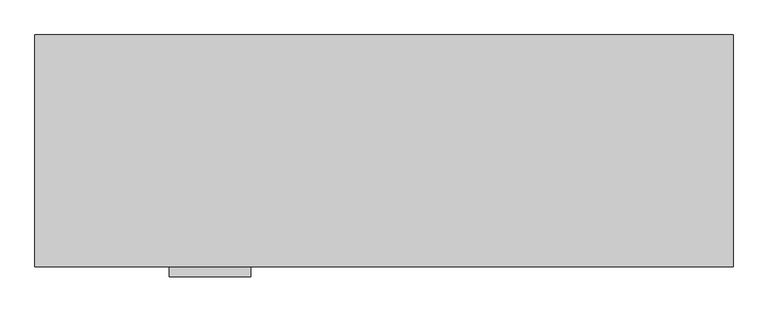
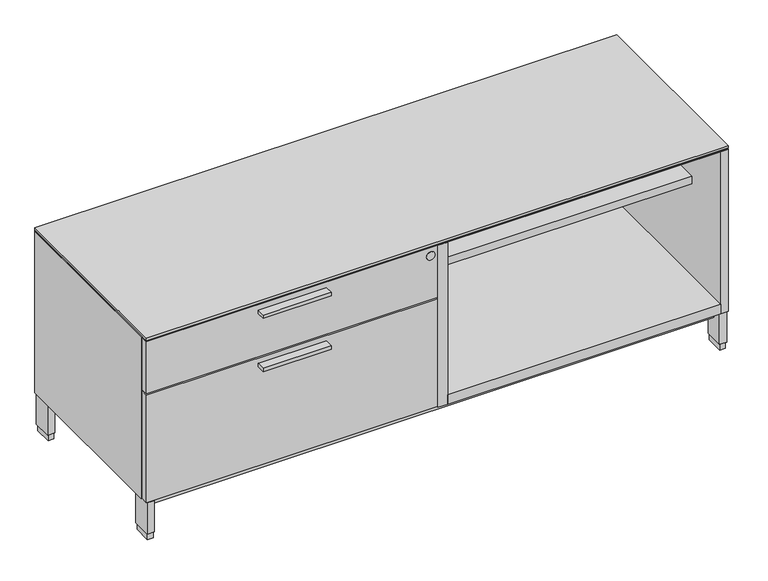
"""IFC4 building model written with IfcOpenShell, lengths in millimetres: furniture geometry."""

from ifc_helpers import new_model, si_unit, point, frame, frame_2d, origin, origin_with_axes, place, context, project, spatial, polyline, circle_curve, trimmed, segment, composite_curve, outline, extrude, source, transform, mapped, element, save


def furniture_0aabb876(model_context):
    return source(origin(), model_context, "Body", "SweptSolid", [
        extrude(outline(polyline([(471.4875, -528.574), (293.6875, -528.574), (293.6875, -506.349), (471.4875, -506.349), (471.4875, -528.574)])), frame((0.0, 0.0, 379.09246), z_axis=(0.0, 0.0, 1.0), x_axis=(1.0, 0.0, 0.0)), (0.0, 0.0, 1.0), 9.525),
        extrude(outline(polyline([(471.4875, -528.574), (293.6875, -528.574), (293.6875, -506.349), (471.4875, -506.349), (471.4875, -528.574)])), frame((0.0, 0.0, 526.53946), z_axis=(0.0, 0.0, 1.0), x_axis=(1.0, 0.0, 0.0)), (0.0, 0.0, 1.0), 9.525),
        extrude(outline(polyline([(788.9875, -20.828), (1502.9815, -20.828), (1502.9815, -506.349), (788.9875, -506.349), (788.9875, -20.828)])), frame((0.0, 0.0, 103.2002), z_axis=(0.0, 0.0, 1.0), x_axis=(1.0, 0.0, 0.0)), (0.0, 0.0, 1.0), 25.4),
        extrude(outline(polyline([(1.5875, -1.524), (1522.4125, -1.524), (1522.4125, -506.349), (763.5875, -506.349), (763.5875, -487.172), (1.5875, -487.172), (1.5875, -1.524)])), frame((0.0, 0.0, 550.8752), z_axis=(0.0, 0.0, 1.0), x_axis=(1.0, 0.0, 0.0)), (0.0, 0.0, 1.0), 1.5875),
        extrude(outline(polyline([(788.9875, -20.828), (1502.9815, -20.828), (1502.9815, -375.8184), (788.9875, -375.8184), (788.9875, -20.828)])), frame((0.0, 0.0, 383.0828), z_axis=(0.0, 0.0, 1.0), x_axis=(1.0, 0.0, 0.0)), (0.0, 0.0, 1.0), 20.3454),
        extrude(outline(polyline([(763.5875, -20.828), (788.9875, -20.828), (788.9875, -506.349), (763.5875, -506.349), (763.5875, -20.828)])), frame((0.0, 0.0, 103.2002), z_axis=(0.0, 0.0, 1.0), x_axis=(1.0, 0.0, 0.0)), (0.0, 0.0, 1.0), 447.675),
        extrude(outline(polyline([(21.2979, -5.715), (21.2979, -52.197), (6.5659, -52.197), (6.5659, -5.715), (21.2979, -5.715)])), origin_with_axes(), (0.0, 0.0, 1.0), 17.399),
        extrude(outline(polyline([(21.2979, -455.676), (21.2979, -502.158), (6.5659, -502.158), (6.5659, -455.676), (21.2979, -455.676)])), origin_with_axes(), (0.0, 0.0, 1.0), 17.399),
        extrude(outline(polyline([(1517.4341, -455.676), (1517.4341, -502.158), (1502.7021, -502.158), (1502.7021, -455.676), (1517.4341, -455.676)])), origin_with_axes(), (0.0, 0.0, 1.0), 17.399),
        extrude(outline(polyline([(1517.4341, -5.715), (1517.4341, -52.197), (1502.7021, -52.197), (1502.7021, -5.715), (1517.4341, -5.715)])), origin_with_axes(), (0.0, 0.0, 1.0), 17.399),
        extrude(outline(polyline([(23.4569, -3.556), (23.4569, -54.356), (4.4069, -54.356), (4.4069, -3.556), (23.4569, -3.556)])), frame((0.0, 0.0, 17.399), z_axis=(0.0, 0.0, 1.0), x_axis=(1.0, 0.0, 0.0)), (0.0, 0.0, 1.0), 85.8012),
        extrude(outline(polyline([(1519.5931, -3.556), (1519.5931, -54.356), (1500.5431, -54.356), (1500.5431, -3.556), (1519.5931, -3.556)])), frame((0.0, 0.0, 17.399), z_axis=(0.0, 0.0, 1.0), x_axis=(1.0, 0.0, 0.0)), (0.0, 0.0, 1.0), 85.8012),
        extrude(outline(polyline([(1519.5931, -453.517), (1519.5931, -504.317), (1500.5431, -504.317), (1500.5431, -453.517), (1519.5931, -453.517)])), frame((0.0, 0.0, 17.399), z_axis=(0.0, 0.0, 1.0), x_axis=(1.0, 0.0, 0.0)), (0.0, 0.0, 1.0), 85.8012),
        extrude(outline(polyline([(23.4569, -453.517), (23.4569, -504.317), (4.4069, -504.317), (4.4069, -453.517), (23.4569, -453.517)])), frame((0.0, 0.0, 17.399), z_axis=(0.0, 0.0, 1.0), x_axis=(1.0, 0.0, 0.0)), (0.0, 0.0, 1.0), 85.8012),
        extrude(outline(polyline([(1500.5431, -26.99766), (1500.5431, -480.87534), (23.4569, -480.87534), (23.4569, -26.99766), (1500.5431, -26.99766)])), frame((0.0, 0.0, 77.8002), z_axis=(0.0, 0.0, 1.0), x_axis=(1.0, 0.0, 0.0)), (0.0, 0.0, 1.0), 25.4),
        extrude(outline(composite_curve([segment(trimmed(circle_curve(frame_2d((528.3708, 744.5375)), 11.176), [point((528.3708, 755.7135))], [point((528.3708, 733.3615))], False, "CARTESIAN"), True, "CONTINUOUS"), segment(trimmed(circle_curve(frame_2d((528.3708, 744.5375)), 11.176), [point((528.3708, 733.3615))], [point((528.3708, 755.7135))], False, "CARTESIAN"), True, "CONTINUOUS")], self_intersect=False)), frame((0.0, -506.9614948, 0.0), z_axis=(0.0, 1.0, 0.0), x_axis=(0.0, 0.0, 1.0)), (0.0, 0.0, 1.0), 5.0524148),
        extrude(outline(polyline([(763.5875, -487.172), (763.5875, -506.349), (1.5875, -506.349), (1.5875, -487.172), (763.5875, -487.172)])), frame((0.0, 0.0, 106.3752), z_axis=(0.0, 0.0, 1.0), x_axis=(1.0, 0.0, 0.0)), (0.0, 0.0, 1.0), 297.053),
        extrude(outline(polyline([(763.5875, -487.172), (763.5875, -506.349), (1.5875, -506.349), (1.5875, -487.172), (763.5875, -487.172)])), frame((0.0, 0.0, 406.6032), z_axis=(0.0, 0.0, 1.0), x_axis=(1.0, 0.0, 0.0)), (0.0, 0.0, 1.0), 144.272),
        extrude(outline(polyline([(1522.4125, -506.349), (1.5875, -506.349), (1.5875, -1.524), (1522.4125, -1.524), (1522.4125, -506.349)])), frame((0.0, 0.0, 554.0502), z_axis=(0.0, 0.0, 1.0), x_axis=(1.0, 0.0, 0.0)), (0.0, 0.0, 1.0), 6.35),
        extrude(outline(polyline([(1.5875, -1.524), (1522.4125, -1.524), (1522.4125, -506.349), (1502.9815, -506.349), (1502.9815, -20.828), (21.0185, -20.828), (21.0185, -483.2858), (1.5875, -483.2858), (1.5875, -1.524)])), frame((0.0, 0.0, 103.2002), z_axis=(0.0, 0.0, 1.0), x_axis=(1.0, 0.0, 0.0)), (0.0, 0.0, 1.0), 447.675),
    ])


if __name__ == "__main__":
    model = new_model("IFC4")
    model_context = context("Model", 3, world=origin())
    ifc_project = project(units=[si_unit("LENGTHUNIT", "METRE", prefix="MILLI")], contexts=[model_context])
    site = spatial("IfcSite", under=ifc_project)
    building = spatial("IfcBuilding", under=site)
    placement = place(None, origin())
    furniture_shape = furniture_0aabb876(model_context)
    element("IfcFurniture", 1, at=placement, inside=building, context=model_context, shape_type="MappedRepresentation", body=[
        mapped(furniture_shape, transform((0.0, 0.0, 0.0), x_axis=(1.0, 0.0, 0.0), y_axis=(0.0, 1.0, 0.0), z_axis=(0.0, 0.0, 1.0))),
    ])
    save(model, "model.ifc")
